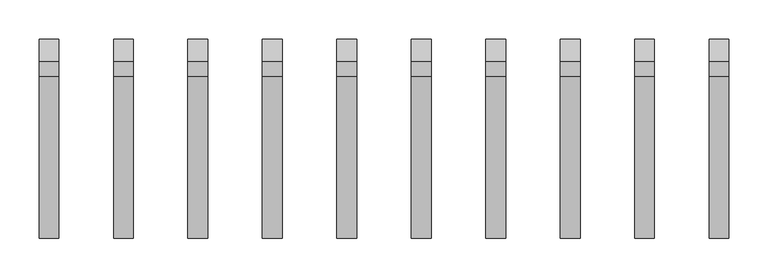
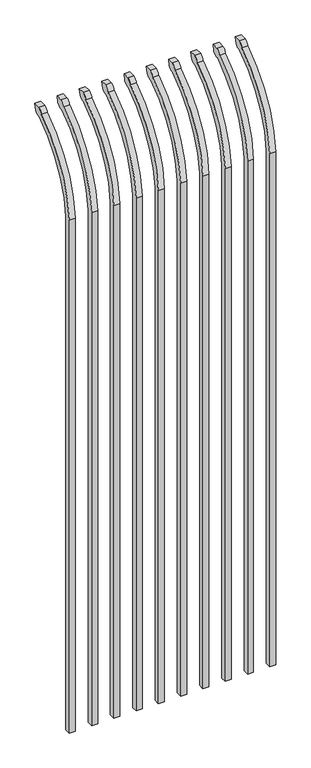
"""IFC4 building model written with IfcOpenShell, lengths in millimetres: railing geometry."""

from ifc_helpers import new_model, si_unit, point, frame, origin, place, context, project, spatial, polyline, circle_curve, ellipse_curve, trimmed, source, transform, mapped, element, save
from ifc_brep_helpers import plane_surface, cylinder_surface, revolved_surface, extruded_surface, advanced_brep


def railing_5642059f(model_context):
    return source(origin(), model_context, "Body", "AdvancedBrep", [
        advanced_brep(
        [(21556.4350064, 10381.619541, 50.8), (21556.4350064, 10381.619541, 2368.7226889), (21556.4350064, 10578.7326851, 2700.9022378), (21556.4350064, 10605.2407099, 2715.5867549), (21556.4350064, 10611.1100864, 2743.2), (21556.4350064, 10582.8799449, 2743.2), (21556.4350064, 10563.4931591, 2722.2682561), (21556.4350064, 10356.219541, 2368.7226889), (21556.4350064, 10356.219541, 50.8), (21531.0350064, 10381.619541, 50.8), (21531.0350064, 10381.619541, 2368.7226889), (21531.0350064, 10356.219541, 2368.7226889), (21531.0350064, 10356.219541, 50.8), (21531.0350064, 10563.4931591, 2722.2682561), (21531.0350064, 10582.8799449, 2743.2), (21531.0350064, 10611.1100864, 2743.2), (21531.0350064, 10605.2407099, 2715.5867549), (21531.0350064, 10578.7326851, 2700.9022378)],
        [
            (0, 1),
            (1, 2, circle_curve(frame((21556.4350064, 10818.9874207, 2333.7640776), z_axis=(-1.0, 0.0, 0.0), x_axis=(0.0, 1.0, 0.0)), 438.7627681)),
            (2, 3, ellipse_curve(frame((21556.4350064, 10586.5579376, 2723.3180619), z_axis=(1.0, 0.0, 0.0), x_axis=(0.0, -0.7771459614569761, -0.6293203910498311)), 26.7460194, 19.05)),
            (3, 4),
            (4, 5),
            (5, 6, ellipse_curve(frame((21556.4350064, 10586.5579376, 2723.3180619), z_axis=(0.9999999999999999, 0.0, 0.0), x_axis=(0.0, -0.7771459614569763, -0.6293203910498306)), 26.7460194, 19.05)),
            (6, 7, circle_curve(frame((21556.4350064, 10818.0333244, 2335.5065933), z_axis=(1.0, 0.0, 0.0), x_axis=(0.0, 1.0, 0.0)), 463.0067812)),
            (7, 8),
            (8, 0),
            (0, 9),
            (9, 10),
            (10, 1),
            (7, 11),
            (11, 12),
            (12, 8),
            (12, 9),
            (11, 13, circle_curve(frame((21531.0350064, 10818.0333244, 2335.5065933), z_axis=(-1.0, 0.0, 0.0), x_axis=(0.0, 1.0, 0.0)), 463.0067812)),
            (13, 14, ellipse_curve(frame((21531.0350064, 10586.5579376, 2723.3180619), z_axis=(-0.9999999999999999, 0.0, 0.0), x_axis=(0.0, -0.7771459614569763, -0.6293203910498306)), 26.7460194, 19.05)),
            (14, 15),
            (15, 16),
            (16, 17, ellipse_curve(frame((21531.0350064, 10586.5579376, 2723.3180619), z_axis=(-1.0, 0.0, 0.0), x_axis=(0.0, -0.7771459614569761, -0.6293203910498311)), 26.7460194, 19.05)),
            (17, 10, circle_curve(frame((21531.0350064, 10818.9874207, 2333.7640776), z_axis=(1.0, 0.0, 0.0), x_axis=(0.0, 1.0, 0.0)), 438.7627681)),
            (17, 2),
            (16, 3),
            (15, 4),
            (14, 5),
            (13, 6),
        ],
        [
            plane_surface(frame((21556.4350064, 10381.619541, 50.8), z_axis=(1.0, 0.0, 0.0), x_axis=(0.0, 0.0, 1.0))),
            plane_surface(frame((21556.4350064, 10381.619541, 50.8), z_axis=(0.0, 1.0, 0.0), x_axis=(-1.0, 0.0, 0.0))),
            plane_surface(frame((21556.4350064, 10356.219541, 2368.7226889), z_axis=(0.0, -1.0, 0.0), x_axis=(-1.0, 0.0, 0.0))),
            plane_surface(frame((21556.4350064, 10356.219541, 50.8), z_axis=(0.0, 0.0, -1.0), x_axis=(-1.0, 0.0, 0.0))),
            plane_surface(frame((21531.0350064, 10381.619541, 50.8), z_axis=(-1.0, 0.0, 0.0), x_axis=(0.0, 0.0, -1.0))),
            revolved_surface(polyline([(21531.0350064, 11257.750188799999, 2333.7640776), (21556.4350064, 11257.750188799999, 2333.7640776)]), (21531.0350064, 10818.9874207, 2333.7640776), (-1.0, 0.0, 0.0)),
            extruded_surface(trimmed(ellipse_curve(frame((21505.6350064, 10586.5579376, 2723.3180619), z_axis=(1.0, 0.0, 0.0), x_axis=(0.0, -0.7771459614569761, -0.6293203910498311)), 26.7460194, 19.05), [point((21505.6350064, 10578.7326851, 2700.9022378))], [point((21505.6350064, 10605.2407099, 2715.5867549))], True, "CARTESIAN"), (25.400000000001455, 0.0, 0.0), 25.400000000001455),
            plane_surface(frame((21556.4350064, 10605.2407099, 2715.5867549), z_axis=(0.0, 0.9781476007337995, -0.2079116908177883), x_axis=(-1.0, 0.0, 0.0))),
            plane_surface(frame((21556.4350064, 10611.1100864, 2743.2), z_axis=(0.0, 0.0, 1.0), x_axis=(-1.0, 0.0, 0.0))),
            extruded_surface(trimmed(ellipse_curve(frame((21505.6350064, 10586.5579376, 2723.3180619), z_axis=(0.9999999999999999, 0.0, 0.0), x_axis=(0.0, -0.7771459614569763, -0.6293203910498306)), 26.7460194, 19.05), [point((21505.6350064, 10582.8799449, 2743.2))], [point((21505.6350064, 10563.4931591, 2722.2682561))], True, "CARTESIAN"), (25.400000000001455, 0.0, 0.0), 25.400000000001455),
            cylinder_surface(frame((21531.0350064, 10818.0333244, 2335.5065933), z_axis=(1.0, 0.0, 0.0), x_axis=(0.0, 1.0, 0.0)), 463.0067812),
        ],
        [
            (0, [[1, 2, 3, 4, 5, 6, 7, 8, 9]]),
            (1, [[-1, 10, 11, 12]]),
            (2, [[-8, 13, 14, 15]]),
            (3, [[-9, -15, 16, -10]]),
            (4, [[-16, -14, 17, 18, 19, 20, 21, 22, -11]]),
            (5, [[-2, -12, -22, 23]]),
            (6, [[-3, -23, -21, 24]]),
            (7, [[-4, -24, -20, 25]]),
            (8, [[-5, -25, -19, 26]]),
            (9, [[-6, -26, -18, 27]]),
            (10, [[-7, -27, -17, -13]]),
        ],
    ),
        advanced_brep(
        [(21461.1850064, 10381.619541, 50.8), (21461.1850064, 10381.619541, 2368.7226889), (21461.1850064, 10578.7326851, 2700.9022378), (21461.1850064, 10605.2407099, 2715.5867549), (21461.1850064, 10611.1100864, 2743.2), (21461.1850064, 10582.8799449, 2743.2), (21461.1850064, 10563.4931591, 2722.2682561), (21461.1850064, 10356.219541, 2368.7226889), (21461.1850064, 10356.219541, 50.8), (21435.7850064, 10381.619541, 50.8), (21435.7850064, 10381.619541, 2368.7226889), (21435.7850064, 10356.219541, 2368.7226889), (21435.7850064, 10356.219541, 50.8), (21435.7850064, 10563.4931591, 2722.2682561), (21435.7850064, 10582.8799449, 2743.2), (21435.7850064, 10611.1100864, 2743.2), (21435.7850064, 10605.2407099, 2715.5867549), (21435.7850064, 10578.7326851, 2700.9022378)],
        [
            (0, 1),
            (1, 2, circle_curve(frame((21461.1850064, 10818.9874207, 2333.7640776), z_axis=(-1.0, 0.0, 0.0), x_axis=(0.0, 1.0, 0.0)), 438.7627681)),
            (2, 3, ellipse_curve(frame((21461.1850064, 10586.5579376, 2723.3180619), z_axis=(1.0, 0.0, 0.0), x_axis=(0.0, -0.7771459614569761, -0.6293203910498311)), 26.7460194, 19.05)),
            (3, 4),
            (4, 5),
            (5, 6, ellipse_curve(frame((21461.1850064, 10586.5579376, 2723.3180619), z_axis=(0.9999999999999999, 0.0, 0.0), x_axis=(0.0, -0.7771459614569763, -0.6293203910498306)), 26.7460194, 19.05)),
            (6, 7, circle_curve(frame((21461.1850064, 10818.0333244, 2335.5065933), z_axis=(1.0, 0.0, 0.0), x_axis=(0.0, 1.0, 0.0)), 463.0067812)),
            (7, 8),
            (8, 0),
            (0, 9),
            (9, 10),
            (10, 1),
            (7, 11),
            (11, 12),
            (12, 8),
            (12, 9),
            (11, 13, circle_curve(frame((21435.7850064, 10818.0333244, 2335.5065933), z_axis=(-1.0, 0.0, 0.0), x_axis=(0.0, 1.0, 0.0)), 463.0067812)),
            (13, 14, ellipse_curve(frame((21435.7850064, 10586.5579376, 2723.3180619), z_axis=(-0.9999999999999999, 0.0, 0.0), x_axis=(0.0, -0.7771459614569763, -0.6293203910498306)), 26.7460194, 19.05)),
            (14, 15),
            (15, 16),
            (16, 17, ellipse_curve(frame((21435.7850064, 10586.5579376, 2723.3180619), z_axis=(-1.0, 0.0, 0.0), x_axis=(0.0, -0.7771459614569761, -0.6293203910498311)), 26.7460194, 19.05)),
            (17, 10, circle_curve(frame((21435.7850064, 10818.9874207, 2333.7640776), z_axis=(1.0, 0.0, 0.0), x_axis=(0.0, 1.0, 0.0)), 438.7627681)),
            (17, 2),
            (16, 3),
            (15, 4),
            (14, 5),
            (13, 6),
        ],
        [
            plane_surface(frame((21461.1850064, 10381.619541, 50.8), z_axis=(1.0, 0.0, 0.0), x_axis=(0.0, 0.0, 1.0))),
            plane_surface(frame((21461.1850064, 10381.619541, 50.8), z_axis=(0.0, 1.0, 0.0), x_axis=(-1.0, 0.0, 0.0))),
            plane_surface(frame((21461.1850064, 10356.219541, 2368.7226889), z_axis=(0.0, -1.0, 0.0), x_axis=(-1.0, 0.0, 0.0))),
            plane_surface(frame((21461.1850064, 10356.219541, 50.8), z_axis=(0.0, 0.0, -1.0), x_axis=(-1.0, 0.0, 0.0))),
            plane_surface(frame((21435.7850064, 10381.619541, 50.8), z_axis=(-1.0, 0.0, 0.0), x_axis=(0.0, 0.0, -1.0))),
            revolved_surface(polyline([(21435.7850064, 11257.750188799999, 2333.7640776), (21461.1850064, 11257.750188799999, 2333.7640776)]), (21435.7850064, 10818.9874207, 2333.7640776), (-1.0, 0.0, 0.0)),
            extruded_surface(trimmed(ellipse_curve(frame((21410.3850064, 10586.5579376, 2723.3180619), z_axis=(1.0, 0.0, 0.0), x_axis=(0.0, -0.7771459614569761, -0.6293203910498311)), 26.7460194, 19.05), [point((21410.3850064, 10578.7326851, 2700.9022378))], [point((21410.3850064, 10605.2407099, 2715.5867549))], True, "CARTESIAN"), (25.400000000001455, 0.0, 0.0), 25.400000000001455),
            plane_surface(frame((21461.1850064, 10605.2407099, 2715.5867549), z_axis=(0.0, 0.9781476007337995, -0.2079116908177883), x_axis=(-1.0, 0.0, 0.0))),
            plane_surface(frame((21461.1850064, 10611.1100864, 2743.2), z_axis=(0.0, 0.0, 1.0), x_axis=(-1.0, 0.0, 0.0))),
            extruded_surface(trimmed(ellipse_curve(frame((21410.3850064, 10586.5579376, 2723.3180619), z_axis=(0.9999999999999999, 0.0, 0.0), x_axis=(0.0, -0.7771459614569763, -0.6293203910498306)), 26.7460194, 19.05), [point((21410.3850064, 10582.8799449, 2743.2))], [point((21410.3850064, 10563.4931591, 2722.2682561))], True, "CARTESIAN"), (25.400000000001455, 0.0, 0.0), 25.400000000001455),
            cylinder_surface(frame((21435.7850064, 10818.0333244, 2335.5065933), z_axis=(1.0, 0.0, 0.0), x_axis=(0.0, 1.0, 0.0)), 463.0067812),
        ],
        [
            (0, [[1, 2, 3, 4, 5, 6, 7, 8, 9]]),
            (1, [[-1, 10, 11, 12]]),
            (2, [[-8, 13, 14, 15]]),
            (3, [[-9, -15, 16, -10]]),
            (4, [[-16, -14, 17, 18, 19, 20, 21, 22, -11]]),
            (5, [[-2, -12, -22, 23]]),
            (6, [[-3, -23, -21, 24]]),
            (7, [[-4, -24, -20, 25]]),
            (8, [[-5, -25, -19, 26]]),
            (9, [[-6, -26, -18, 27]]),
            (10, [[-7, -27, -17, -13]]),
        ],
    ),
        advanced_brep(
        [(21365.9350064, 10381.619541, 50.8), (21365.9350064, 10381.619541, 2368.7226889), (21365.9350064, 10578.7326851, 2700.9022378), (21365.9350064, 10605.2407099, 2715.5867549), (21365.9350064, 10611.1100864, 2743.2), (21365.9350064, 10582.8799449, 2743.2), (21365.9350064, 10563.4931591, 2722.2682561), (21365.9350064, 10356.219541, 2368.7226889), (21365.9350064, 10356.219541, 50.8), (21340.5350064, 10381.619541, 50.8), (21340.5350064, 10381.619541, 2368.7226889), (21340.5350064, 10356.219541, 2368.7226889), (21340.5350064, 10356.219541, 50.8), (21340.5350064, 10563.4931591, 2722.2682561), (21340.5350064, 10582.8799449, 2743.2), (21340.5350064, 10611.1100864, 2743.2), (21340.5350064, 10605.2407099, 2715.5867549), (21340.5350064, 10578.7326851, 2700.9022378)],
        [
            (0, 1),
            (1, 2, circle_curve(frame((21365.9350064, 10818.9874207, 2333.7640776), z_axis=(-1.0, 0.0, 0.0), x_axis=(0.0, 1.0, 0.0)), 438.7627681)),
            (2, 3, ellipse_curve(frame((21365.9350064, 10586.5579376, 2723.3180619), z_axis=(1.0, 0.0, 0.0), x_axis=(0.0, -0.7771459614569761, -0.6293203910498311)), 26.7460194, 19.05)),
            (3, 4),
            (4, 5),
            (5, 6, ellipse_curve(frame((21365.9350064, 10586.5579376, 2723.3180619), z_axis=(0.9999999999999999, 0.0, 0.0), x_axis=(0.0, -0.7771459614569763, -0.6293203910498306)), 26.7460194, 19.05)),
            (6, 7, circle_curve(frame((21365.9350064, 10818.0333244, 2335.5065933), z_axis=(1.0, 0.0, 0.0), x_axis=(0.0, 1.0, 0.0)), 463.0067812)),
            (7, 8),
            (8, 0),
            (0, 9),
            (9, 10),
            (10, 1),
            (7, 11),
            (11, 12),
            (12, 8),
            (12, 9),
            (11, 13, circle_curve(frame((21340.5350064, 10818.0333244, 2335.5065933), z_axis=(-1.0, 0.0, 0.0), x_axis=(0.0, 1.0, 0.0)), 463.0067812)),
            (13, 14, ellipse_curve(frame((21340.5350064, 10586.5579376, 2723.3180619), z_axis=(-0.9999999999999999, 0.0, 0.0), x_axis=(0.0, -0.7771459614569763, -0.6293203910498306)), 26.7460194, 19.05)),
            (14, 15),
            (15, 16),
            (16, 17, ellipse_curve(frame((21340.5350064, 10586.5579376, 2723.3180619), z_axis=(-1.0, 0.0, 0.0), x_axis=(0.0, -0.7771459614569761, -0.6293203910498311)), 26.7460194, 19.05)),
            (17, 10, circle_curve(frame((21340.5350064, 10818.9874207, 2333.7640776), z_axis=(1.0, 0.0, 0.0), x_axis=(0.0, 1.0, 0.0)), 438.7627681)),
            (17, 2),
            (16, 3),
            (15, 4),
            (14, 5),
            (13, 6),
        ],
        [
            plane_surface(frame((21365.9350064, 10381.619541, 50.8), z_axis=(1.0, 0.0, 0.0), x_axis=(0.0, 0.0, 1.0))),
            plane_surface(frame((21365.9350064, 10381.619541, 50.8), z_axis=(0.0, 1.0, 0.0), x_axis=(-1.0, 0.0, 0.0))),
            plane_surface(frame((21365.9350064, 10356.219541, 2368.7226889), z_axis=(0.0, -1.0, 0.0), x_axis=(-1.0, 0.0, 0.0))),
            plane_surface(frame((21365.9350064, 10356.219541, 50.8), z_axis=(0.0, 0.0, -1.0), x_axis=(-1.0, 0.0, 0.0))),
            plane_surface(frame((21340.5350064, 10381.619541, 50.8), z_axis=(-1.0, 0.0, 0.0), x_axis=(0.0, 0.0, -1.0))),
            revolved_surface(polyline([(21340.5350064, 11257.750188799999, 2333.7640776), (21365.9350064, 11257.750188799999, 2333.7640776)]), (21340.5350064, 10818.9874207, 2333.7640776), (-1.0, 0.0, 0.0)),
            extruded_surface(trimmed(ellipse_curve(frame((21315.1350064, 10586.5579376, 2723.3180619), z_axis=(1.0, 0.0, 0.0), x_axis=(0.0, -0.7771459614569761, -0.6293203910498311)), 26.7460194, 19.05), [point((21315.1350064, 10578.7326851, 2700.9022378))], [point((21315.1350064, 10605.2407099, 2715.5867549))], True, "CARTESIAN"), (25.400000000001455, 0.0, 0.0), 25.400000000001455),
            plane_surface(frame((21365.9350064, 10605.2407099, 2715.5867549), z_axis=(0.0, 0.9781476007337995, -0.2079116908177883), x_axis=(-1.0, 0.0, 0.0))),
            plane_surface(frame((21365.9350064, 10611.1100864, 2743.2), z_axis=(0.0, 0.0, 1.0), x_axis=(-1.0, 0.0, 0.0))),
            extruded_surface(trimmed(ellipse_curve(frame((21315.1350064, 10586.5579376, 2723.3180619), z_axis=(0.9999999999999999, 0.0, 0.0), x_axis=(0.0, -0.7771459614569763, -0.6293203910498306)), 26.7460194, 19.05), [point((21315.1350064, 10582.8799449, 2743.2))], [point((21315.1350064, 10563.4931591, 2722.2682561))], True, "CARTESIAN"), (25.400000000001455, 0.0, 0.0), 25.400000000001455),
            cylinder_surface(frame((21340.5350064, 10818.0333244, 2335.5065933), z_axis=(1.0, 0.0, 0.0), x_axis=(0.0, 1.0, 0.0)), 463.0067812),
        ],
        [
            (0, [[1, 2, 3, 4, 5, 6, 7, 8, 9]]),
            (1, [[-1, 10, 11, 12]]),
            (2, [[-8, 13, 14, 15]]),
            (3, [[-9, -15, 16, -10]]),
            (4, [[-16, -14, 17, 18, 19, 20, 21, 22, -11]]),
            (5, [[-2, -12, -22, 23]]),
            (6, [[-3, -23, -21, 24]]),
            (7, [[-4, -24, -20, 25]]),
            (8, [[-5, -25, -19, 26]]),
            (9, [[-6, -26, -18, 27]]),
            (10, [[-7, -27, -17, -13]]),
        ],
    ),
        advanced_brep(
        [(21270.6850064, 10381.619541, 50.8), (21270.6850064, 10381.619541, 2368.7226889), (21270.6850064, 10578.7326851, 2700.9022378), (21270.6850064, 10605.2407099, 2715.5867549), (21270.6850064, 10611.1100864, 2743.2), (21270.6850064, 10582.8799449, 2743.2), (21270.6850064, 10563.4931591, 2722.2682561), (21270.6850064, 10356.219541, 2368.7226889), (21270.6850064, 10356.219541, 50.8), (21245.2850064, 10381.619541, 50.8), (21245.2850064, 10381.619541, 2368.7226889), (21245.2850064, 10356.219541, 2368.7226889), (21245.2850064, 10356.219541, 50.8), (21245.2850064, 10563.4931591, 2722.2682561), (21245.2850064, 10582.8799449, 2743.2), (21245.2850064, 10611.1100864, 2743.2), (21245.2850064, 10605.2407099, 2715.5867549), (21245.2850064, 10578.7326851, 2700.9022378)],
        [
            (0, 1),
            (1, 2, circle_curve(frame((21270.6850064, 10818.9874207, 2333.7640776), z_axis=(-1.0, 0.0, 0.0), x_axis=(0.0, 1.0, 0.0)), 438.7627681)),
            (2, 3, ellipse_curve(frame((21270.6850064, 10586.5579376, 2723.3180619), z_axis=(1.0, 0.0, 0.0), x_axis=(0.0, -0.7771459614569761, -0.6293203910498311)), 26.7460194, 19.05)),
            (3, 4),
            (4, 5),
            (5, 6, ellipse_curve(frame((21270.6850064, 10586.5579376, 2723.3180619), z_axis=(0.9999999999999999, 0.0, 0.0), x_axis=(0.0, -0.7771459614569763, -0.6293203910498306)), 26.7460194, 19.05)),
            (6, 7, circle_curve(frame((21270.6850064, 10818.0333244, 2335.5065933), z_axis=(1.0, 0.0, 0.0), x_axis=(0.0, 1.0, 0.0)), 463.0067812)),
            (7, 8),
            (8, 0),
            (0, 9),
            (9, 10),
            (10, 1),
            (7, 11),
            (11, 12),
            (12, 8),
            (12, 9),
            (11, 13, circle_curve(frame((21245.2850064, 10818.0333244, 2335.5065933), z_axis=(-1.0, 0.0, 0.0), x_axis=(0.0, 1.0, 0.0)), 463.0067812)),
            (13, 14, ellipse_curve(frame((21245.2850064, 10586.5579376, 2723.3180619), z_axis=(-0.9999999999999999, 0.0, 0.0), x_axis=(0.0, -0.7771459614569763, -0.6293203910498306)), 26.7460194, 19.05)),
            (14, 15),
            (15, 16),
            (16, 17, ellipse_curve(frame((21245.2850064, 10586.5579376, 2723.3180619), z_axis=(-1.0, 0.0, 0.0), x_axis=(0.0, -0.7771459614569761, -0.6293203910498311)), 26.7460194, 19.05)),
            (17, 10, circle_curve(frame((21245.2850064, 10818.9874207, 2333.7640776), z_axis=(1.0, 0.0, 0.0), x_axis=(0.0, 1.0, 0.0)), 438.7627681)),
            (17, 2),
            (16, 3),
            (15, 4),
            (14, 5),
            (13, 6),
        ],
        [
            plane_surface(frame((21270.6850064, 10381.619541, 50.8), z_axis=(1.0, 0.0, 0.0), x_axis=(0.0, 0.0, 1.0))),
            plane_surface(frame((21270.6850064, 10381.619541, 50.8), z_axis=(0.0, 1.0, 0.0), x_axis=(-1.0, 0.0, 0.0))),
            plane_surface(frame((21270.6850064, 10356.219541, 2368.7226889), z_axis=(0.0, -1.0, 0.0), x_axis=(-1.0, 0.0, 0.0))),
            plane_surface(frame((21270.6850064, 10356.219541, 50.8), z_axis=(0.0, 0.0, -1.0), x_axis=(-1.0, 0.0, 0.0))),
            plane_surface(frame((21245.2850064, 10381.619541, 50.8), z_axis=(-1.0, 0.0, 0.0), x_axis=(0.0, 0.0, -1.0))),
            revolved_surface(polyline([(21245.2850064, 11257.750188799999, 2333.7640776), (21270.6850064, 11257.750188799999, 2333.7640776)]), (21245.2850064, 10818.9874207, 2333.7640776), (-1.0, 0.0, 0.0)),
            extruded_surface(trimmed(ellipse_curve(frame((21219.8850064, 10586.5579376, 2723.3180619), z_axis=(1.0, 0.0, 0.0), x_axis=(0.0, -0.7771459614569761, -0.6293203910498311)), 26.7460194, 19.05), [point((21219.8850064, 10578.7326851, 2700.9022378))], [point((21219.8850064, 10605.2407099, 2715.5867549))], True, "CARTESIAN"), (25.400000000001455, 0.0, 0.0), 25.400000000001455),
            plane_surface(frame((21270.6850064, 10605.2407099, 2715.5867549), z_axis=(0.0, 0.9781476007337995, -0.2079116908177883), x_axis=(-1.0, 0.0, 0.0))),
            plane_surface(frame((21270.6850064, 10611.1100864, 2743.2), z_axis=(0.0, 0.0, 1.0), x_axis=(-1.0, 0.0, 0.0))),
            extruded_surface(trimmed(ellipse_curve(frame((21219.8850064, 10586.5579376, 2723.3180619), z_axis=(0.9999999999999999, 0.0, 0.0), x_axis=(0.0, -0.7771459614569763, -0.6293203910498306)), 26.7460194, 19.05), [point((21219.8850064, 10582.8799449, 2743.2))], [point((21219.8850064, 10563.4931591, 2722.2682561))], True, "CARTESIAN"), (25.400000000001455, 0.0, 0.0), 25.400000000001455),
            cylinder_surface(frame((21245.2850064, 10818.0333244, 2335.5065933), z_axis=(1.0, 0.0, 0.0), x_axis=(0.0, 1.0, 0.0)), 463.0067812),
        ],
        [
            (0, [[1, 2, 3, 4, 5, 6, 7, 8, 9]]),
            (1, [[-1, 10, 11, 12]]),
            (2, [[-8, 13, 14, 15]]),
            (3, [[-9, -15, 16, -10]]),
            (4, [[-16, -14, 17, 18, 19, 20, 21, 22, -11]]),
            (5, [[-2, -12, -22, 23]]),
            (6, [[-3, -23, -21, 24]]),
            (7, [[-4, -24, -20, 25]]),
            (8, [[-5, -25, -19, 26]]),
            (9, [[-6, -26, -18, 27]]),
            (10, [[-7, -27, -17, -13]]),
        ],
    ),
        advanced_brep(
        [(21175.4350064, 10381.619541, 50.8), (21175.4350064, 10381.619541, 2368.7226889), (21175.4350064, 10578.7326851, 2700.9022378), (21175.4350064, 10605.2407099, 2715.5867549), (21175.4350064, 10611.1100864, 2743.2), (21175.4350064, 10582.8799449, 2743.2), (21175.4350064, 10563.4931591, 2722.2682561), (21175.4350064, 10356.219541, 2368.7226889), (21175.4350064, 10356.219541, 50.8), (21150.0350064, 10381.619541, 50.8), (21150.0350064, 10381.619541, 2368.7226889), (21150.0350064, 10356.219541, 2368.7226889), (21150.0350064, 10356.219541, 50.8), (21150.0350064, 10563.4931591, 2722.2682561), (21150.0350064, 10582.8799449, 2743.2), (21150.0350064, 10611.1100864, 2743.2), (21150.0350064, 10605.2407099, 2715.5867549), (21150.0350064, 10578.7326851, 2700.9022378)],
        [
            (0, 1),
            (1, 2, circle_curve(frame((21175.4350064, 10818.9874207, 2333.7640776), z_axis=(-1.0, 0.0, 0.0), x_axis=(0.0, 1.0, 0.0)), 438.7627681)),
            (2, 3, ellipse_curve(frame((21175.4350064, 10586.5579376, 2723.3180619), z_axis=(1.0, 0.0, 0.0), x_axis=(0.0, -0.7771459614569761, -0.6293203910498311)), 26.7460194, 19.05)),
            (3, 4),
            (4, 5),
            (5, 6, ellipse_curve(frame((21175.4350064, 10586.5579376, 2723.3180619), z_axis=(0.9999999999999999, 0.0, 0.0), x_axis=(0.0, -0.7771459614569763, -0.6293203910498306)), 26.7460194, 19.05)),
            (6, 7, circle_curve(frame((21175.4350064, 10818.0333244, 2335.5065933), z_axis=(1.0, 0.0, 0.0), x_axis=(0.0, 1.0, 0.0)), 463.0067812)),
            (7, 8),
            (8, 0),
            (0, 9),
            (9, 10),
            (10, 1),
            (7, 11),
            (11, 12),
            (12, 8),
            (12, 9),
            (11, 13, circle_curve(frame((21150.0350064, 10818.0333244, 2335.5065933), z_axis=(-1.0, 0.0, 0.0), x_axis=(0.0, 1.0, 0.0)), 463.0067812)),
            (13, 14, ellipse_curve(frame((21150.0350064, 10586.5579376, 2723.3180619), z_axis=(-0.9999999999999999, 0.0, 0.0), x_axis=(0.0, -0.7771459614569763, -0.6293203910498306)), 26.7460194, 19.05)),
            (14, 15),
            (15, 16),
            (16, 17, ellipse_curve(frame((21150.0350064, 10586.5579376, 2723.3180619), z_axis=(-1.0, 0.0, 0.0), x_axis=(0.0, -0.7771459614569761, -0.6293203910498311)), 26.7460194, 19.05)),
            (17, 10, circle_curve(frame((21150.0350064, 10818.9874207, 2333.7640776), z_axis=(1.0, 0.0, 0.0), x_axis=(0.0, 1.0, 0.0)), 438.7627681)),
            (17, 2),
            (16, 3),
            (15, 4),
            (14, 5),
            (13, 6),
        ],
        [
            plane_surface(frame((21175.4350064, 10381.619541, 50.8), z_axis=(1.0, 0.0, 0.0), x_axis=(0.0, 0.0, 1.0))),
            plane_surface(frame((21175.4350064, 10381.619541, 50.8), z_axis=(0.0, 1.0, 0.0), x_axis=(-1.0, 0.0, 0.0))),
            plane_surface(frame((21175.4350064, 10356.219541, 2368.7226889), z_axis=(0.0, -1.0, 0.0), x_axis=(-1.0, 0.0, 0.0))),
            plane_surface(frame((21175.4350064, 10356.219541, 50.8), z_axis=(0.0, 0.0, -1.0), x_axis=(-1.0, 0.0, 0.0))),
            plane_surface(frame((21150.0350064, 10381.619541, 50.8), z_axis=(-1.0, 0.0, 0.0), x_axis=(0.0, 0.0, -1.0))),
            revolved_surface(polyline([(21150.0350064, 11257.750188799999, 2333.7640776), (21175.4350064, 11257.750188799999, 2333.7640776)]), (21150.0350064, 10818.9874207, 2333.7640776), (-1.0, 0.0, 0.0)),
            extruded_surface(trimmed(ellipse_curve(frame((21124.6350064, 10586.5579376, 2723.3180619), z_axis=(1.0, 0.0, 0.0), x_axis=(0.0, -0.7771459614569761, -0.6293203910498311)), 26.7460194, 19.05), [point((21124.6350064, 10578.7326851, 2700.9022378))], [point((21124.6350064, 10605.2407099, 2715.5867549))], True, "CARTESIAN"), (25.400000000001455, 0.0, 0.0), 25.400000000001455),
            plane_surface(frame((21175.4350064, 10605.2407099, 2715.5867549), z_axis=(0.0, 0.9781476007337995, -0.2079116908177883), x_axis=(-1.0, 0.0, 0.0))),
            plane_surface(frame((21175.4350064, 10611.1100864, 2743.2), z_axis=(0.0, 0.0, 1.0), x_axis=(-1.0, 0.0, 0.0))),
            extruded_surface(trimmed(ellipse_curve(frame((21124.6350064, 10586.5579376, 2723.3180619), z_axis=(0.9999999999999999, 0.0, 0.0), x_axis=(0.0, -0.7771459614569763, -0.6293203910498306)), 26.7460194, 19.05), [point((21124.6350064, 10582.8799449, 2743.2))], [point((21124.6350064, 10563.4931591, 2722.2682561))], True, "CARTESIAN"), (25.400000000001455, 0.0, 0.0), 25.400000000001455),
            cylinder_surface(frame((21150.0350064, 10818.0333244, 2335.5065933), z_axis=(1.0, 0.0, 0.0), x_axis=(0.0, 1.0, 0.0)), 463.0067812),
        ],
        [
            (0, [[1, 2, 3, 4, 5, 6, 7, 8, 9]]),
            (1, [[-1, 10, 11, 12]]),
            (2, [[-8, 13, 14, 15]]),
            (3, [[-9, -15, 16, -10]]),
            (4, [[-16, -14, 17, 18, 19, 20, 21, 22, -11]]),
            (5, [[-2, -12, -22, 23]]),
            (6, [[-3, -23, -21, 24]]),
            (7, [[-4, -24, -20, 25]]),
            (8, [[-5, -25, -19, 26]]),
            (9, [[-6, -26, -18, 27]]),
            (10, [[-7, -27, -17, -13]]),
        ],
    ),
        advanced_brep(
        [(21080.1850064, 10381.619541, 50.8), (21080.1850064, 10381.619541, 2368.7226889), (21080.1850064, 10578.7326851, 2700.9022378), (21080.1850064, 10605.2407099, 2715.5867549), (21080.1850064, 10611.1100864, 2743.2), (21080.1850064, 10582.8799449, 2743.2), (21080.1850064, 10563.4931591, 2722.2682561), (21080.1850064, 10356.219541, 2368.7226889), (21080.1850064, 10356.219541, 50.8), (21054.7850064, 10381.619541, 50.8), (21054.7850064, 10381.619541, 2368.7226889), (21054.7850064, 10356.219541, 2368.7226889), (21054.7850064, 10356.219541, 50.8), (21054.7850064, 10563.4931591, 2722.2682561), (21054.7850064, 10582.8799449, 2743.2), (21054.7850064, 10611.1100864, 2743.2), (21054.7850064, 10605.2407099, 2715.5867549), (21054.7850064, 10578.7326851, 2700.9022378)],
        [
            (0, 1),
            (1, 2, circle_curve(frame((21080.1850064, 10818.9874207, 2333.7640776), z_axis=(-1.0, 0.0, 0.0), x_axis=(0.0, 1.0, 0.0)), 438.7627681)),
            (2, 3, ellipse_curve(frame((21080.1850064, 10586.5579376, 2723.3180619), z_axis=(1.0, 0.0, 0.0), x_axis=(0.0, -0.7771459614569761, -0.6293203910498311)), 26.7460194, 19.05)),
            (3, 4),
            (4, 5),
            (5, 6, ellipse_curve(frame((21080.1850064, 10586.5579376, 2723.3180619), z_axis=(0.9999999999999999, 0.0, 0.0), x_axis=(0.0, -0.7771459614569763, -0.6293203910498306)), 26.7460194, 19.05)),
            (6, 7, circle_curve(frame((21080.1850064, 10818.0333244, 2335.5065933), z_axis=(1.0, 0.0, 0.0), x_axis=(0.0, 1.0, 0.0)), 463.0067812)),
            (7, 8),
            (8, 0),
            (0, 9),
            (9, 10),
            (10, 1),
            (7, 11),
            (11, 12),
            (12, 8),
            (12, 9),
            (11, 13, circle_curve(frame((21054.7850064, 10818.0333244, 2335.5065933), z_axis=(-1.0, 0.0, 0.0), x_axis=(0.0, 1.0, 0.0)), 463.0067812)),
            (13, 14, ellipse_curve(frame((21054.7850064, 10586.5579376, 2723.3180619), z_axis=(-0.9999999999999999, 0.0, 0.0), x_axis=(0.0, -0.7771459614569763, -0.6293203910498306)), 26.7460194, 19.05)),
            (14, 15),
            (15, 16),
            (16, 17, ellipse_curve(frame((21054.7850064, 10586.5579376, 2723.3180619), z_axis=(-1.0, 0.0, 0.0), x_axis=(0.0, -0.7771459614569761, -0.6293203910498311)), 26.7460194, 19.05)),
            (17, 10, circle_curve(frame((21054.7850064, 10818.9874207, 2333.7640776), z_axis=(1.0, 0.0, 0.0), x_axis=(0.0, 1.0, 0.0)), 438.7627681)),
            (17, 2),
            (16, 3),
            (15, 4),
            (14, 5),
            (13, 6),
        ],
        [
            plane_surface(frame((21080.1850064, 10381.619541, 50.8), z_axis=(1.0, 0.0, 0.0), x_axis=(0.0, 0.0, 1.0))),
            plane_surface(frame((21080.1850064, 10381.619541, 50.8), z_axis=(0.0, 1.0, 0.0), x_axis=(-1.0, 0.0, 0.0))),
            plane_surface(frame((21080.1850064, 10356.219541, 2368.7226889), z_axis=(0.0, -1.0, 0.0), x_axis=(-1.0, 0.0, 0.0))),
            plane_surface(frame((21080.1850064, 10356.219541, 50.8), z_axis=(0.0, 0.0, -1.0), x_axis=(-1.0, 0.0, 0.0))),
            plane_surface(frame((21054.7850064, 10381.619541, 50.8), z_axis=(-1.0, 0.0, 0.0), x_axis=(0.0, 0.0, -1.0))),
            revolved_surface(polyline([(21054.7850064, 11257.750188799999, 2333.7640776), (21080.1850064, 11257.750188799999, 2333.7640776)]), (21054.7850064, 10818.9874207, 2333.7640776), (-1.0, 0.0, 0.0)),
            extruded_surface(trimmed(ellipse_curve(frame((21029.3850064, 10586.5579376, 2723.3180619), z_axis=(1.0, 0.0, 0.0), x_axis=(0.0, -0.7771459614569761, -0.6293203910498311)), 26.7460194, 19.05), [point((21029.3850064, 10578.7326851, 2700.9022378))], [point((21029.3850064, 10605.2407099, 2715.5867549))], True, "CARTESIAN"), (25.400000000001455, 0.0, 0.0), 25.400000000001455),
            plane_surface(frame((21080.1850064, 10605.2407099, 2715.5867549), z_axis=(0.0, 0.9781476007337995, -0.2079116908177883), x_axis=(-1.0, 0.0, 0.0))),
            plane_surface(frame((21080.1850064, 10611.1100864, 2743.2), z_axis=(0.0, 0.0, 1.0), x_axis=(-1.0, 0.0, 0.0))),
            extruded_surface(trimmed(ellipse_curve(frame((21029.3850064, 10586.5579376, 2723.3180619), z_axis=(0.9999999999999999, 0.0, 0.0), x_axis=(0.0, -0.7771459614569763, -0.6293203910498306)), 26.7460194, 19.05), [point((21029.3850064, 10582.8799449, 2743.2))], [point((21029.3850064, 10563.4931591, 2722.2682561))], True, "CARTESIAN"), (25.400000000001455, 0.0, 0.0), 25.400000000001455),
            cylinder_surface(frame((21054.7850064, 10818.0333244, 2335.5065933), z_axis=(1.0, 0.0, 0.0), x_axis=(0.0, 1.0, 0.0)), 463.0067812),
        ],
        [
            (0, [[1, 2, 3, 4, 5, 6, 7, 8, 9]]),
            (1, [[-1, 10, 11, 12]]),
            (2, [[-8, 13, 14, 15]]),
            (3, [[-9, -15, 16, -10]]),
            (4, [[-16, -14, 17, 18, 19, 20, 21, 22, -11]]),
            (5, [[-2, -12, -22, 23]]),
            (6, [[-3, -23, -21, 24]]),
            (7, [[-4, -24, -20, 25]]),
            (8, [[-5, -25, -19, 26]]),
            (9, [[-6, -26, -18, 27]]),
            (10, [[-7, -27, -17, -13]]),
        ],
    ),
        advanced_brep(
        [(20984.9350064, 10381.619541, 50.8), (20984.9350064, 10381.619541, 2368.7226889), (20984.9350064, 10578.7326851, 2700.9022378), (20984.9350064, 10605.2407099, 2715.5867549), (20984.9350064, 10611.1100864, 2743.2), (20984.9350064, 10582.8799449, 2743.2), (20984.9350064, 10563.4931591, 2722.2682561), (20984.9350064, 10356.219541, 2368.7226889), (20984.9350064, 10356.219541, 50.8), (20959.5350064, 10381.619541, 50.8), (20959.5350064, 10381.619541, 2368.7226889), (20959.5350064, 10356.219541, 2368.7226889), (20959.5350064, 10356.219541, 50.8), (20959.5350064, 10563.4931591, 2722.2682561), (20959.5350064, 10582.8799449, 2743.2), (20959.5350064, 10611.1100864, 2743.2), (20959.5350064, 10605.2407099, 2715.5867549), (20959.5350064, 10578.7326851, 2700.9022378)],
        [
            (0, 1),
            (1, 2, circle_curve(frame((20984.9350064, 10818.9874207, 2333.7640776), z_axis=(-1.0, 0.0, 0.0), x_axis=(0.0, 1.0, 0.0)), 438.7627681)),
            (2, 3, ellipse_curve(frame((20984.9350064, 10586.5579376, 2723.3180619), z_axis=(1.0, 0.0, 0.0), x_axis=(0.0, -0.7771459614569761, -0.6293203910498311)), 26.7460194, 19.05)),
            (3, 4),
            (4, 5),
            (5, 6, ellipse_curve(frame((20984.9350064, 10586.5579376, 2723.3180619), z_axis=(0.9999999999999999, 0.0, 0.0), x_axis=(0.0, -0.7771459614569763, -0.6293203910498306)), 26.7460194, 19.05)),
            (6, 7, circle_curve(frame((20984.9350064, 10818.0333244, 2335.5065933), z_axis=(1.0, 0.0, 0.0), x_axis=(0.0, 1.0, 0.0)), 463.0067812)),
            (7, 8),
            (8, 0),
            (0, 9),
            (9, 10),
            (10, 1),
            (7, 11),
            (11, 12),
            (12, 8),
            (12, 9),
            (11, 13, circle_curve(frame((20959.5350064, 10818.0333244, 2335.5065933), z_axis=(-1.0, 0.0, 0.0), x_axis=(0.0, 1.0, 0.0)), 463.0067812)),
            (13, 14, ellipse_curve(frame((20959.5350064, 10586.5579376, 2723.3180619), z_axis=(-0.9999999999999999, 0.0, 0.0), x_axis=(0.0, -0.7771459614569763, -0.6293203910498306)), 26.7460194, 19.05)),
            (14, 15),
            (15, 16),
            (16, 17, ellipse_curve(frame((20959.5350064, 10586.5579376, 2723.3180619), z_axis=(-1.0, 0.0, 0.0), x_axis=(0.0, -0.7771459614569761, -0.6293203910498311)), 26.7460194, 19.05)),
            (17, 10, circle_curve(frame((20959.5350064, 10818.9874207, 2333.7640776), z_axis=(1.0, 0.0, 0.0), x_axis=(0.0, 1.0, 0.0)), 438.7627681)),
            (17, 2),
            (16, 3),
            (15, 4),
            (14, 5),
            (13, 6),
        ],
        [
            plane_surface(frame((20984.9350064, 10381.619541, 50.8), z_axis=(1.0, 0.0, 0.0), x_axis=(0.0, 0.0, 1.0))),
            plane_surface(frame((20984.9350064, 10381.619541, 50.8), z_axis=(0.0, 1.0, 0.0), x_axis=(-1.0, 0.0, 0.0))),
            plane_surface(frame((20984.9350064, 10356.219541, 2368.7226889), z_axis=(0.0, -1.0, 0.0), x_axis=(-1.0, 0.0, 0.0))),
            plane_surface(frame((20984.9350064, 10356.219541, 50.8), z_axis=(0.0, 0.0, -1.0), x_axis=(-1.0, 0.0, 0.0))),
            plane_surface(frame((20959.5350064, 10381.619541, 50.8), z_axis=(-1.0, 0.0, 0.0), x_axis=(0.0, 0.0, -1.0))),
            revolved_surface(polyline([(20959.5350064, 11257.750188799999, 2333.7640776), (20984.9350064, 11257.750188799999, 2333.7640776)]), (20959.5350064, 10818.9874207, 2333.7640776), (-1.0, 0.0, 0.0)),
            extruded_surface(trimmed(ellipse_curve(frame((20934.1350064, 10586.5579376, 2723.3180619), z_axis=(1.0, 0.0, 0.0), x_axis=(0.0, -0.7771459614569761, -0.6293203910498311)), 26.7460194, 19.05), [point((20934.1350064, 10578.7326851, 2700.9022378))], [point((20934.1350064, 10605.2407099, 2715.5867549))], True, "CARTESIAN"), (25.400000000001455, 0.0, 0.0), 25.400000000001455),
            plane_surface(frame((20984.9350064, 10605.2407099, 2715.5867549), z_axis=(0.0, 0.9781476007337995, -0.2079116908177883), x_axis=(-1.0, 0.0, 0.0))),
            plane_surface(frame((20984.9350064, 10611.1100864, 2743.2), z_axis=(0.0, 0.0, 1.0), x_axis=(-1.0, 0.0, 0.0))),
            extruded_surface(trimmed(ellipse_curve(frame((20934.1350064, 10586.5579376, 2723.3180619), z_axis=(0.9999999999999999, 0.0, 0.0), x_axis=(0.0, -0.7771459614569763, -0.6293203910498306)), 26.7460194, 19.05), [point((20934.1350064, 10582.8799449, 2743.2))], [point((20934.1350064, 10563.4931591, 2722.2682561))], True, "CARTESIAN"), (25.400000000001455, 0.0, 0.0), 25.400000000001455),
            cylinder_surface(frame((20959.5350064, 10818.0333244, 2335.5065933), z_axis=(1.0, 0.0, 0.0), x_axis=(0.0, 1.0, 0.0)), 463.0067812),
        ],
        [
            (0, [[1, 2, 3, 4, 5, 6, 7, 8, 9]]),
            (1, [[-1, 10, 11, 12]]),
            (2, [[-8, 13, 14, 15]]),
            (3, [[-9, -15, 16, -10]]),
            (4, [[-16, -14, 17, 18, 19, 20, 21, 22, -11]]),
            (5, [[-2, -12, -22, 23]]),
            (6, [[-3, -23, -21, 24]]),
            (7, [[-4, -24, -20, 25]]),
            (8, [[-5, -25, -19, 26]]),
            (9, [[-6, -26, -18, 27]]),
            (10, [[-7, -27, -17, -13]]),
        ],
    ),
        advanced_brep(
        [(20889.6850064, 10381.619541, 50.8), (20889.6850064, 10381.619541, 2368.7226889), (20889.6850064, 10578.7326851, 2700.9022378), (20889.6850064, 10605.2407099, 2715.5867549), (20889.6850064, 10611.1100864, 2743.2), (20889.6850064, 10582.8799449, 2743.2), (20889.6850064, 10563.4931591, 2722.2682561), (20889.6850064, 10356.219541, 2368.7226889), (20889.6850064, 10356.219541, 50.8), (20864.2850064, 10381.619541, 50.8), (20864.2850064, 10381.619541, 2368.7226889), (20864.2850064, 10356.219541, 2368.7226889), (20864.2850064, 10356.219541, 50.8), (20864.2850064, 10563.4931591, 2722.2682561), (20864.2850064, 10582.8799449, 2743.2), (20864.2850064, 10611.1100864, 2743.2), (20864.2850064, 10605.2407099, 2715.5867549), (20864.2850064, 10578.7326851, 2700.9022378)],
        [
            (0, 1),
            (1, 2, circle_curve(frame((20889.6850064, 10818.9874207, 2333.7640776), z_axis=(-1.0, 0.0, 0.0), x_axis=(0.0, 1.0, 0.0)), 438.7627681)),
            (2, 3, ellipse_curve(frame((20889.6850064, 10586.5579376, 2723.3180619), z_axis=(1.0, 0.0, 0.0), x_axis=(0.0, -0.7771459614569761, -0.6293203910498311)), 26.7460194, 19.05)),
            (3, 4),
            (4, 5),
            (5, 6, ellipse_curve(frame((20889.6850064, 10586.5579376, 2723.3180619), z_axis=(0.9999999999999999, 0.0, 0.0), x_axis=(0.0, -0.7771459614569763, -0.6293203910498306)), 26.7460194, 19.05)),
            (6, 7, circle_curve(frame((20889.6850064, 10818.0333244, 2335.5065933), z_axis=(1.0, 0.0, 0.0), x_axis=(0.0, 1.0, 0.0)), 463.0067812)),
            (7, 8),
            (8, 0),
            (0, 9),
            (9, 10),
            (10, 1),
            (7, 11),
            (11, 12),
            (12, 8),
            (12, 9),
            (11, 13, circle_curve(frame((20864.2850064, 10818.0333244, 2335.5065933), z_axis=(-1.0, 0.0, 0.0), x_axis=(0.0, 1.0, 0.0)), 463.0067812)),
            (13, 14, ellipse_curve(frame((20864.2850064, 10586.5579376, 2723.3180619), z_axis=(-0.9999999999999999, 0.0, 0.0), x_axis=(0.0, -0.7771459614569763, -0.6293203910498306)), 26.7460194, 19.05)),
            (14, 15),
            (15, 16),
            (16, 17, ellipse_curve(frame((20864.2850064, 10586.5579376, 2723.3180619), z_axis=(-1.0, 0.0, 0.0), x_axis=(0.0, -0.7771459614569761, -0.6293203910498311)), 26.7460194, 19.05)),
            (17, 10, circle_curve(frame((20864.2850064, 10818.9874207, 2333.7640776), z_axis=(1.0, 0.0, 0.0), x_axis=(0.0, 1.0, 0.0)), 438.7627681)),
            (17, 2),
            (16, 3),
            (15, 4),
            (14, 5),
            (13, 6),
        ],
        [
            plane_surface(frame((20889.6850064, 10381.619541, 50.8), z_axis=(1.0, 0.0, 0.0), x_axis=(0.0, 0.0, 1.0))),
            plane_surface(frame((20889.6850064, 10381.619541, 50.8), z_axis=(0.0, 1.0, 0.0), x_axis=(-1.0, 0.0, 0.0))),
            plane_surface(frame((20889.6850064, 10356.219541, 2368.7226889), z_axis=(0.0, -1.0, 0.0), x_axis=(-1.0, 0.0, 0.0))),
            plane_surface(frame((20889.6850064, 10356.219541, 50.8), z_axis=(0.0, 0.0, -1.0), x_axis=(-1.0, 0.0, 0.0))),
            plane_surface(frame((20864.2850064, 10381.619541, 50.8), z_axis=(-1.0, 0.0, 0.0), x_axis=(0.0, 0.0, -1.0))),
            revolved_surface(polyline([(20864.2850064, 11257.750188799999, 2333.7640776), (20889.6850064, 11257.750188799999, 2333.7640776)]), (20864.2850064, 10818.9874207, 2333.7640776), (-1.0, 0.0, 0.0)),
            extruded_surface(trimmed(ellipse_curve(frame((20838.8850064, 10586.5579376, 2723.3180619), z_axis=(1.0, 0.0, 0.0), x_axis=(0.0, -0.7771459614569761, -0.6293203910498311)), 26.7460194, 19.05), [point((20838.8850064, 10578.7326851, 2700.9022378))], [point((20838.8850064, 10605.2407099, 2715.5867549))], True, "CARTESIAN"), (25.400000000001455, 0.0, 0.0), 25.400000000001455),
            plane_surface(frame((20889.6850064, 10605.2407099, 2715.5867549), z_axis=(0.0, 0.9781476007337995, -0.2079116908177883), x_axis=(-1.0, 0.0, 0.0))),
            plane_surface(frame((20889.6850064, 10611.1100864, 2743.2), z_axis=(0.0, 0.0, 1.0), x_axis=(-1.0, 0.0, 0.0))),
            extruded_surface(trimmed(ellipse_curve(frame((20838.8850064, 10586.5579376, 2723.3180619), z_axis=(0.9999999999999999, 0.0, 0.0), x_axis=(0.0, -0.7771459614569763, -0.6293203910498306)), 26.7460194, 19.05), [point((20838.8850064, 10582.8799449, 2743.2))], [point((20838.8850064, 10563.4931591, 2722.2682561))], True, "CARTESIAN"), (25.400000000001455, 0.0, 0.0), 25.400000000001455),
            cylinder_surface(frame((20864.2850064, 10818.0333244, 2335.5065933), z_axis=(1.0, 0.0, 0.0), x_axis=(0.0, 1.0, 0.0)), 463.0067812),
        ],
        [
            (0, [[1, 2, 3, 4, 5, 6, 7, 8, 9]]),
            (1, [[-1, 10, 11, 12]]),
            (2, [[-8, 13, 14, 15]]),
            (3, [[-9, -15, 16, -10]]),
            (4, [[-16, -14, 17, 18, 19, 20, 21, 22, -11]]),
            (5, [[-2, -12, -22, 23]]),
            (6, [[-3, -23, -21, 24]]),
            (7, [[-4, -24, -20, 25]]),
            (8, [[-5, -25, -19, 26]]),
            (9, [[-6, -26, -18, 27]]),
            (10, [[-7, -27, -17, -13]]),
        ],
    ),
        advanced_brep(
        [(20794.4350064, 10381.619541, 50.8), (20794.4350064, 10381.619541, 2368.7226889), (20794.4350064, 10578.7326851, 2700.9022378), (20794.4350064, 10605.2407099, 2715.5867549), (20794.4350064, 10611.1100864, 2743.2), (20794.4350064, 10582.8799449, 2743.2), (20794.4350064, 10563.4931591, 2722.2682561), (20794.4350064, 10356.219541, 2368.7226889), (20794.4350064, 10356.219541, 50.8), (20769.0350064, 10381.619541, 50.8), (20769.0350064, 10381.619541, 2368.7226889), (20769.0350064, 10356.219541, 2368.7226889), (20769.0350064, 10356.219541, 50.8), (20769.0350064, 10563.4931591, 2722.2682561), (20769.0350064, 10582.8799449, 2743.2), (20769.0350064, 10611.1100864, 2743.2), (20769.0350064, 10605.2407099, 2715.5867549), (20769.0350064, 10578.7326851, 2700.9022378)],
        [
            (0, 1),
            (1, 2, circle_curve(frame((20794.4350064, 10818.9874207, 2333.7640776), z_axis=(-1.0, 0.0, 0.0), x_axis=(0.0, 1.0, 0.0)), 438.7627681)),
            (2, 3, ellipse_curve(frame((20794.4350064, 10586.5579376, 2723.3180619), z_axis=(1.0, 0.0, 0.0), x_axis=(0.0, -0.7771459614569761, -0.6293203910498311)), 26.7460194, 19.05)),
            (3, 4),
            (4, 5),
            (5, 6, ellipse_curve(frame((20794.4350064, 10586.5579376, 2723.3180619), z_axis=(0.9999999999999999, 0.0, 0.0), x_axis=(0.0, -0.7771459614569763, -0.6293203910498306)), 26.7460194, 19.05)),
            (6, 7, circle_curve(frame((20794.4350064, 10818.0333244, 2335.5065933), z_axis=(1.0, 0.0, 0.0), x_axis=(0.0, 1.0, 0.0)), 463.0067812)),
            (7, 8),
            (8, 0),
            (0, 9),
            (9, 10),
            (10, 1),
            (7, 11),
            (11, 12),
            (12, 8),
            (12, 9),
            (11, 13, circle_curve(frame((20769.0350064, 10818.0333244, 2335.5065933), z_axis=(-1.0, 0.0, 0.0), x_axis=(0.0, 1.0, 0.0)), 463.0067812)),
            (13, 14, ellipse_curve(frame((20769.0350064, 10586.5579376, 2723.3180619), z_axis=(-0.9999999999999999, 0.0, 0.0), x_axis=(0.0, -0.7771459614569763, -0.6293203910498306)), 26.7460194, 19.05)),
            (14, 15),
            (15, 16),
            (16, 17, ellipse_curve(frame((20769.0350064, 10586.5579376, 2723.3180619), z_axis=(-1.0, 0.0, 0.0), x_axis=(0.0, -0.7771459614569761, -0.6293203910498311)), 26.7460194, 19.05)),
            (17, 10, circle_curve(frame((20769.0350064, 10818.9874207, 2333.7640776), z_axis=(1.0, 0.0, 0.0), x_axis=(0.0, 1.0, 0.0)), 438.7627681)),
            (17, 2),
            (16, 3),
            (15, 4),
            (14, 5),
            (13, 6),
        ],
        [
            plane_surface(frame((20794.4350064, 10381.619541, 50.8), z_axis=(1.0, 0.0, 0.0), x_axis=(0.0, 0.0, 1.0))),
            plane_surface(frame((20794.4350064, 10381.619541, 50.8), z_axis=(0.0, 1.0, 0.0), x_axis=(-1.0, 0.0, 0.0))),
            plane_surface(frame((20794.4350064, 10356.219541, 2368.7226889), z_axis=(0.0, -1.0, 0.0), x_axis=(-1.0, 0.0, 0.0))),
            plane_surface(frame((20794.4350064, 10356.219541, 50.8), z_axis=(0.0, 0.0, -1.0), x_axis=(-1.0, 0.0, 0.0))),
            plane_surface(frame((20769.0350064, 10381.619541, 50.8), z_axis=(-1.0, 0.0, 0.0), x_axis=(0.0, 0.0, -1.0))),
            revolved_surface(polyline([(20769.0350064, 11257.750188799999, 2333.7640776), (20794.4350064, 11257.750188799999, 2333.7640776)]), (20769.0350064, 10818.9874207, 2333.7640776), (-1.0, 0.0, 0.0)),
            extruded_surface(trimmed(ellipse_curve(frame((20743.6350064, 10586.5579376, 2723.3180619), z_axis=(1.0, 0.0, 0.0), x_axis=(0.0, -0.7771459614569761, -0.6293203910498311)), 26.7460194, 19.05), [point((20743.6350064, 10578.7326851, 2700.9022378))], [point((20743.6350064, 10605.2407099, 2715.5867549))], True, "CARTESIAN"), (25.400000000001455, 0.0, 0.0), 25.400000000001455),
            plane_surface(frame((20794.4350064, 10605.2407099, 2715.5867549), z_axis=(0.0, 0.9781476007337995, -0.2079116908177883), x_axis=(-1.0, 0.0, 0.0))),
            plane_surface(frame((20794.4350064, 10611.1100864, 2743.2), z_axis=(0.0, 0.0, 1.0), x_axis=(-1.0, 0.0, 0.0))),
            extruded_surface(trimmed(ellipse_curve(frame((20743.6350064, 10586.5579376, 2723.3180619), z_axis=(0.9999999999999999, 0.0, 0.0), x_axis=(0.0, -0.7771459614569763, -0.6293203910498306)), 26.7460194, 19.05), [point((20743.6350064, 10582.8799449, 2743.2))], [point((20743.6350064, 10563.4931591, 2722.2682561))], True, "CARTESIAN"), (25.400000000001455, 0.0, 0.0), 25.400000000001455),
            cylinder_surface(frame((20769.0350064, 10818.0333244, 2335.5065933), z_axis=(1.0, 0.0, 0.0), x_axis=(0.0, 1.0, 0.0)), 463.0067812),
        ],
        [
            (0, [[1, 2, 3, 4, 5, 6, 7, 8, 9]]),
            (1, [[-1, 10, 11, 12]]),
            (2, [[-8, 13, 14, 15]]),
            (3, [[-9, -15, 16, -10]]),
            (4, [[-16, -14, 17, 18, 19, 20, 21, 22, -11]]),
            (5, [[-2, -12, -22, 23]]),
            (6, [[-3, -23, -21, 24]]),
            (7, [[-4, -24, -20, 25]]),
            (8, [[-5, -25, -19, 26]]),
            (9, [[-6, -26, -18, 27]]),
            (10, [[-7, -27, -17, -13]]),
        ],
    ),
        advanced_brep(
        [(20699.1850064, 10381.619541, 50.8), (20699.1850064, 10381.619541, 2368.7226889), (20699.1850064, 10578.7326851, 2700.9022378), (20699.1850064, 10605.2407099, 2715.5867549), (20699.1850064, 10611.1100864, 2743.2), (20699.1850064, 10582.8799449, 2743.2), (20699.1850064, 10563.4931591, 2722.2682561), (20699.1850064, 10356.219541, 2368.7226889), (20699.1850064, 10356.219541, 50.8), (20673.7850064, 10381.619541, 50.8), (20673.7850064, 10381.619541, 2368.7226889), (20673.7850064, 10356.219541, 2368.7226889), (20673.7850064, 10356.219541, 50.8), (20673.7850064, 10563.4931591, 2722.2682561), (20673.7850064, 10582.8799449, 2743.2), (20673.7850064, 10611.1100864, 2743.2), (20673.7850064, 10605.2407099, 2715.5867549), (20673.7850064, 10578.7326851, 2700.9022378)],
        [
            (0, 1),
            (1, 2, circle_curve(frame((20699.1850064, 10818.9874207, 2333.7640776), z_axis=(-1.0, 0.0, 0.0), x_axis=(0.0, 1.0, 0.0)), 438.7627681)),
            (2, 3, ellipse_curve(frame((20699.1850064, 10586.5579376, 2723.3180619), z_axis=(1.0, 0.0, 0.0), x_axis=(0.0, -0.7771459614569761, -0.6293203910498311)), 26.7460194, 19.05)),
            (3, 4),
            (4, 5),
            (5, 6, ellipse_curve(frame((20699.1850064, 10586.5579376, 2723.3180619), z_axis=(0.9999999999999999, 0.0, 0.0), x_axis=(0.0, -0.7771459614569763, -0.6293203910498306)), 26.7460194, 19.05)),
            (6, 7, circle_curve(frame((20699.1850064, 10818.0333244, 2335.5065933), z_axis=(1.0, 0.0, 0.0), x_axis=(0.0, 1.0, 0.0)), 463.0067812)),
            (7, 8),
            (8, 0),
            (0, 9),
            (9, 10),
            (10, 1),
            (7, 11),
            (11, 12),
            (12, 8),
            (12, 9),
            (11, 13, circle_curve(frame((20673.7850064, 10818.0333244, 2335.5065933), z_axis=(-1.0, 0.0, 0.0), x_axis=(0.0, 1.0, 0.0)), 463.0067812)),
            (13, 14, ellipse_curve(frame((20673.7850064, 10586.5579376, 2723.3180619), z_axis=(-0.9999999999999999, 0.0, 0.0), x_axis=(0.0, -0.7771459614569763, -0.6293203910498306)), 26.7460194, 19.05)),
            (14, 15),
            (15, 16),
            (16, 17, ellipse_curve(frame((20673.7850064, 10586.5579376, 2723.3180619), z_axis=(-1.0, 0.0, 0.0), x_axis=(0.0, -0.7771459614569761, -0.6293203910498311)), 26.7460194, 19.05)),
            (17, 10, circle_curve(frame((20673.7850064, 10818.9874207, 2333.7640776), z_axis=(1.0, 0.0, 0.0), x_axis=(0.0, 1.0, 0.0)), 438.7627681)),
            (17, 2),
            (16, 3),
            (15, 4),
            (14, 5),
            (13, 6),
        ],
        [
            plane_surface(frame((20699.1850064, 10381.619541, 50.8), z_axis=(1.0, 0.0, 0.0), x_axis=(0.0, 0.0, 1.0))),
            plane_surface(frame((20699.1850064, 10381.619541, 50.8), z_axis=(0.0, 1.0, 0.0), x_axis=(-1.0, 0.0, 0.0))),
            plane_surface(frame((20699.1850064, 10356.219541, 2368.7226889), z_axis=(0.0, -1.0, 0.0), x_axis=(-1.0, 0.0, 0.0))),
            plane_surface(frame((20699.1850064, 10356.219541, 50.8), z_axis=(0.0, 0.0, -1.0), x_axis=(-1.0, 0.0, 0.0))),
            plane_surface(frame((20673.7850064, 10381.619541, 50.8), z_axis=(-1.0, 0.0, 0.0), x_axis=(0.0, 0.0, -1.0))),
            revolved_surface(polyline([(20673.7850064, 11257.750188799999, 2333.7640776), (20699.1850064, 11257.750188799999, 2333.7640776)]), (20673.7850064, 10818.9874207, 2333.7640776), (-1.0, 0.0, 0.0)),
            extruded_surface(trimmed(ellipse_curve(frame((20648.3850064, 10586.5579376, 2723.3180619), z_axis=(1.0, 0.0, 0.0), x_axis=(0.0, -0.7771459614569761, -0.6293203910498311)), 26.7460194, 19.05), [point((20648.3850064, 10578.7326851, 2700.9022378))], [point((20648.3850064, 10605.2407099, 2715.5867549))], True, "CARTESIAN"), (25.400000000001455, 0.0, 0.0), 25.400000000001455),
            plane_surface(frame((20699.1850064, 10605.2407099, 2715.5867549), z_axis=(0.0, 0.9781476007337995, -0.2079116908177883), x_axis=(-1.0, 0.0, 0.0))),
            plane_surface(frame((20699.1850064, 10611.1100864, 2743.2), z_axis=(0.0, 0.0, 1.0), x_axis=(-1.0, 0.0, 0.0))),
            extruded_surface(trimmed(ellipse_curve(frame((20648.3850064, 10586.5579376, 2723.3180619), z_axis=(0.9999999999999999, 0.0, 0.0), x_axis=(0.0, -0.7771459614569763, -0.6293203910498306)), 26.7460194, 19.05), [point((20648.3850064, 10582.8799449, 2743.2))], [point((20648.3850064, 10563.4931591, 2722.2682561))], True, "CARTESIAN"), (25.400000000001455, 0.0, 0.0), 25.400000000001455),
            cylinder_surface(frame((20673.7850064, 10818.0333244, 2335.5065933), z_axis=(1.0, 0.0, 0.0), x_axis=(0.0, 1.0, 0.0)), 463.0067812),
        ],
        [
            (0, [[1, 2, 3, 4, 5, 6, 7, 8, 9]]),
            (1, [[-1, 10, 11, 12]]),
            (2, [[-8, 13, 14, 15]]),
            (3, [[-9, -15, 16, -10]]),
            (4, [[-16, -14, 17, 18, 19, 20, 21, 22, -11]]),
            (5, [[-2, -12, -22, 23]]),
            (6, [[-3, -23, -21, 24]]),
            (7, [[-4, -24, -20, 25]]),
            (8, [[-5, -25, -19, 26]]),
            (9, [[-6, -26, -18, 27]]),
            (10, [[-7, -27, -17, -13]]),
        ],
    ),
    ])


if __name__ == "__main__":
    model = new_model("IFC4")
    model_context = context("Model", 3, world=origin())
    ifc_project = project(units=[si_unit("LENGTHUNIT", "METRE", prefix="MILLI")], contexts=[model_context])
    site = spatial("IfcSite", under=ifc_project)
    building = spatial("IfcBuilding", under=site)
    placement = place(None, origin())
    railing_shape = railing_5642059f(model_context)
    element("IfcRailing", 1, at=placement, inside=building, context=model_context, shape_type="MappedRepresentation", body=[
        mapped(railing_shape, transform((0.0, 0.0, 0.0), x_axis=(1.0, 0.0, 0.0), y_axis=(0.0, 1.0, 0.0), z_axis=(0.0, 0.0, 1.0))),
    ])
    save(model, "model.ifc")
